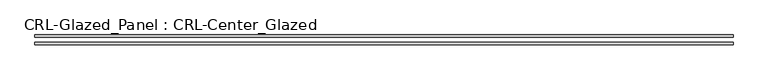
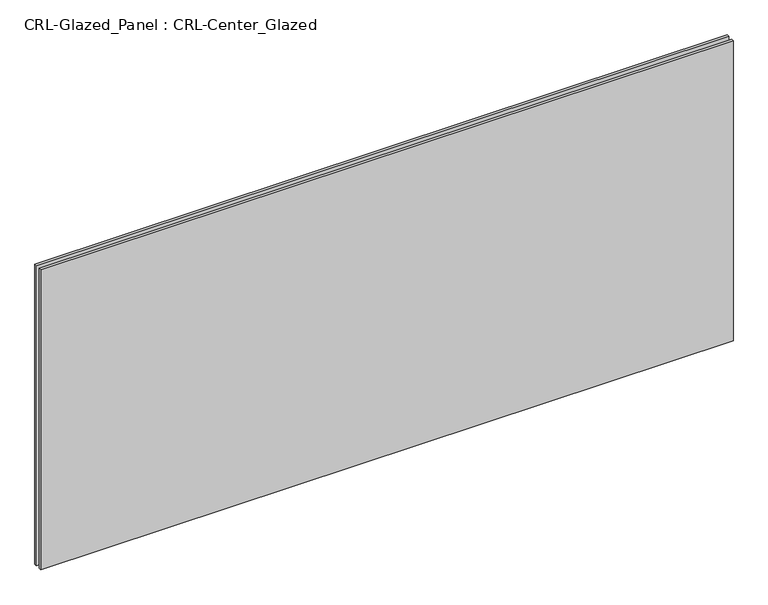
"""IFC4 building model written with IfcOpenShell, lengths in millimetres: plate geometry, CRL-Glazed_Panel : CRL-Center_Glazed."""

import ifcopenshell
import ifcopenshell.guid

model = None  # the IFC model being written
_history = None  # IfcOwnerHistory: only IFC2X3 demands one
_inside = {}  # id of a spatial element -> (the spatial element, [elements in it])
_under = {}  # id of a project, library or spatial element -> (it, [spatial elements below it])
_declared = {}  # id of a project -> (the project, [libraries it declares])
_typed = {}  # id of a type object -> (the type object, [elements of that type])
_made_of = {}  # id of a material, layer set ... -> (it, [elements and type objects made of it])


def new_model(schema):
    """Start an empty IFC model of exactly this schema.

    Asked for "IFC4X3", IfcOpenShell would pick the latest addendum, in which some entities
    have other attributes; the version numbers below select the first issue.
    IFC2X3 requires an IfcOwnerHistory on every rooted entity: one is made here for all.
    """
    global model, _history
    if schema == "IFC4X3":
        model = ifcopenshell.file(schema_version=(4, 3, 0, 0))
    else:
        model = ifcopenshell.file(schema=schema)
    _inside.clear()
    _under.clear()
    _declared.clear()
    _typed.clear()
    _made_of.clear()
    _history = None
    if model.schema == "IFC2X3":
        org = make("IfcOrganization", Name="unknown")
        user = make(
            "IfcPersonAndOrganization",
            ThePerson=make("IfcPerson", FamilyName="unknown"),
            TheOrganization=org,
        )
        app = make(
            "IfcApplication",
            ApplicationDeveloper=org,
            Version="unknown",
            ApplicationFullName="unknown",
            ApplicationIdentifier="unknown",
        )
        _history = make(
            "IfcOwnerHistory",
            OwningUser=user,
            OwningApplication=app,
            ChangeAction="ADDED",
            CreationDate=0,
        )
    return model


def make(cls, **values):
    """One entity of the class cls with the attributes given. An attribute that is None is left unset."""
    return model.create_entity(
        cls, **{name: value for name, value in values.items() if value is not None}
    )


def rooted(cls, **values):
    """An entity with a GlobalId (a new one), such as an element, a storey or a relation."""
    return make(cls, GlobalId=ifcopenshell.guid.new(), OwnerHistory=_history, **values)


def si_unit(unit_type, name, prefix=None):
    """IfcSIUnit, for example si_unit("LENGTHUNIT", "METRE", prefix="MILLI")."""
    return make("IfcSIUnit", UnitType=unit_type, Prefix=prefix, Name=name)


def assignment(units):
    """IfcUnitAssignment: the units of a project."""
    return None if units is None else make("IfcUnitAssignment", Units=units)


def point(xyz):
    """IfcCartesianPoint."""
    return None if xyz is None else make("IfcCartesianPoint", Coordinates=xyz)


def direction(xyz):
    """IfcDirection."""
    return None if xyz is None else make("IfcDirection", DirectionRatios=xyz)


def frame(location, z_axis=None, x_axis=None):
    """IfcAxis2Placement3D, a coordinate frame: its origin and axes. An axis left out is left unset."""
    return make(
        "IfcAxis2Placement3D",
        Location=point(location),
        Axis=direction(z_axis),
        RefDirection=direction(x_axis),
    )


def origin():
    """The frame at (0, 0, 0) with its axes left unset."""
    return frame((0.0, 0.0, 0.0))


def origin_with_axes():
    """The frame at (0, 0, 0) with the z axis (0, 0, 1) and the x axis (1, 0, 0) written out."""
    return frame((0.0, 0.0, 0.0), z_axis=(0.0, 0.0, 1.0), x_axis=(1.0, 0.0, 0.0))


def place(relative_to, where):
    """IfcLocalPlacement: puts the frame where relative to a parent placement (None: the world)."""
    return make(
        "IfcLocalPlacement", PlacementRelTo=relative_to, RelativePlacement=where
    )


def context(
    kind, dimensions, precision=None, world=None, true_north=None, identifier=None
):
    """IfcGeometricRepresentationContext, for example the 3D "Model" context."""
    return make(
        "IfcGeometricRepresentationContext",
        ContextIdentifier=identifier,
        ContextType=kind,
        CoordinateSpaceDimension=dimensions,
        Precision=precision,
        WorldCoordinateSystem=world,
        TrueNorth=true_north,
    )


def project(units=None, contexts=None):
    """IfcProject with its units and contexts."""
    return rooted(
        "IfcProject",
        Name="project",
        RepresentationContexts=contexts,
        UnitsInContext=assignment(units),
    )


def spatial(cls, under=None, at=None, **own):
    """A site, building, storey or space (cls), placed at a placement, below another one or the project."""
    s = rooted(cls, ObjectPlacement=at, **own)
    if under is not None:
        _under.setdefault(under.id(), (under, []))[1].append(s)
    return s


def polyline(points):
    """IfcPolyline through the points."""
    return make("IfcPolyline", Points=[point(p) for p in points])


def outline(outer, holes=None, kind="AREA"):
    """IfcArbitraryClosedProfileDef: a profile drawn as a closed curve; with holes, ...WithVoids."""
    if holes is None:
        return make("IfcArbitraryClosedProfileDef", ProfileType=kind, OuterCurve=outer)
    return make(
        "IfcArbitraryProfileDefWithVoids",
        ProfileType=kind,
        OuterCurve=outer,
        InnerCurves=holes,
    )


def extrude(swept, where, along, depth):
    """IfcExtrudedAreaSolid: the profile swept, set in the frame where, extruded along a direction by depth."""
    return make(
        "IfcExtrudedAreaSolid",
        SweptArea=swept,
        Position=where,
        ExtrudedDirection=direction(along),
        Depth=depth,
    )


def shape(context_of_items, identifier, shape_type, items):
    """IfcShapeRepresentation: the items that make up one representation, for example the "Body"."""
    return make(
        "IfcShapeRepresentation",
        ContextOfItems=context_of_items,
        RepresentationIdentifier=identifier,
        RepresentationType=shape_type,
        Items=items,
    )


def source(mapping_origin, context_of_items, identifier, shape_type, items):
    """IfcRepresentationMap: a shape defined once, which mapped items show again and again."""
    return make(
        "IfcRepresentationMap",
        MappingOrigin=mapping_origin,
        MappedRepresentation=shape(context_of_items, identifier, shape_type, items),
    )


def transform(
    local_origin,
    x_axis=None,
    y_axis=None,
    z_axis=None,
    scale=None,
    scale2=None,
    scale3=None,
    uniform=True,
):
    """IfcCartesianTransformationOperator3D, or its non-uniform kind. x_axis, y_axis, z_axis: its Axis1, 2, 3."""
    if uniform:
        return make(
            "IfcCartesianTransformationOperator3D",
            Axis1=direction(x_axis),
            Axis2=direction(y_axis),
            LocalOrigin=point(local_origin),
            Scale=scale,
            Axis3=direction(z_axis),
        )
    return make(
        "IfcCartesianTransformationOperator3DnonUniform",
        Axis1=direction(x_axis),
        Axis2=direction(y_axis),
        LocalOrigin=point(local_origin),
        Scale=scale,
        Axis3=direction(z_axis),
        Scale2=scale2,
        Scale3=scale3,
    )


def mapped(mapping_source, mapping_target):
    """IfcMappedItem: shows the shape of a source again, moved by a transform."""
    return make(
        "IfcMappedItem", MappingSource=mapping_source, MappingTarget=mapping_target
    )


def made_of(thing, what):
    """Note that an element or type object is made of a material, layer set ...; save() writes the relation."""
    if what is not None:
        _made_of.setdefault(what.id(), (what, []))[1].append(thing)
    return thing


def element(
    cls,
    number,
    at=None,
    inside=None,
    cuts=None,
    type_object=None,
    material=None,
    context=None,
    identifier="Body",
    shape_type=None,
    held_by="IfcProductDefinitionShape",
    body=None,
    shapes=None,
    **own,
):
    """One element of the class cls, such as IfcWall. Its Tag is "e" and its number.

    at: its placement. inside: the storey or other place that contains it. cuts: it is an
    opening in that element (IfcRelVoidsElement). A single representation is given by context,
    identifier, shape_type and body (its items); several are given by shapes. held_by: the class
    of the entity that holds the representations. save() writes the other relations.
    """
    e = rooted(cls, Tag="e%d" % number, ObjectPlacement=at, **own)
    if body is not None:
        shapes = [shape(context, identifier, shape_type, body)]
    if shapes is not None:
        e.Representation = make(held_by, Representations=shapes)
    if inside is not None:
        _inside.setdefault(inside.id(), (inside, []))[1].append(e)
    if cuts is not None:
        rooted(
            "IfcRelVoidsElement", RelatingBuildingElement=cuts, RelatedOpeningElement=e
        )
    if type_object is not None:
        _typed.setdefault(type_object.id(), (type_object, []))[1].append(e)
    return made_of(e, material)


def aggregate(whole, parts):
    """IfcRelAggregates: a whole, such as a stair, and the parts it consists of."""
    return rooted("IfcRelAggregates", RelatingObject=whole, RelatedObjects=parts)


def save(model, path):
    """Write the relations noted so far, then the file.

    IfcRelAggregates (storeys below a building ...), IfcRelContainedInSpatialStructure (elements
    in a storey), IfcRelDefinesByType, IfcRelAssociatesMaterial and IfcRelDeclares: one each for
    every whole, place, type object, material and project.
    """
    for whole, parts in _under.values():
        aggregate(whole, parts)
    for where, things in _inside.values():
        rooted(
            "IfcRelContainedInSpatialStructure",
            RelatedElements=things,
            RelatingStructure=where,
        )
    for kind, things in _typed.values():
        rooted("IfcRelDefinesByType", RelatedObjects=things, RelatingType=kind)
    for what, things in _made_of.values():
        rooted("IfcRelAssociatesMaterial", RelatedObjects=things, RelatingMaterial=what)
    for by, libraries in _declared.values():
        rooted("IfcRelDeclares", RelatingContext=by, RelatedDefinitions=libraries)
    model.write(path)


def crl_glazed_panel_crl_center_glazed_19e45c1f(model_context):
    return source(origin(), model_context, "Body", "SweptSolid", [
        extrude(outline(polyline([(900.1125, -12.7), (-900.1125, -12.7), (-900.1125, -6.35), (900.1125, -6.35), (900.1125, -12.7)])), origin_with_axes(), (0.0, 0.0, 1.0), 824.5475145),
        extrude(outline(polyline([(-900.1125, 6.35), (-900.1125, 12.7), (900.1125, 12.7), (900.1125, 6.35), (-900.1125, 6.35)])), origin_with_axes(), (0.0, 0.0, 1.0), 824.5475145),
    ])


if __name__ == "__main__":
    model = new_model("IFC4")
    model_context = context("Model", 3, world=origin())
    ifc_project = project(units=[si_unit("LENGTHUNIT", "METRE", prefix="MILLI")], contexts=[model_context])
    site = spatial("IfcSite", under=ifc_project)
    building = spatial("IfcBuilding", under=site)
    placement = place(None, origin())
    crl_glazed_panel_crl_center_glazed_shape = crl_glazed_panel_crl_center_glazed_19e45c1f(model_context)
    element("IfcPlate", 1, ObjectType="CRL-Glazed_Panel : CRL-Center_Glazed", at=placement, inside=building, context=model_context, shape_type="MappedRepresentation", body=[
        mapped(crl_glazed_panel_crl_center_glazed_shape, transform((0.0, 0.0, 0.0), x_axis=(1.0, 0.0, 0.0), y_axis=(0.0, 1.0, 0.0), z_axis=(0.0, 0.0, 1.0))),
    ])
    save(model, "model.ifc")
